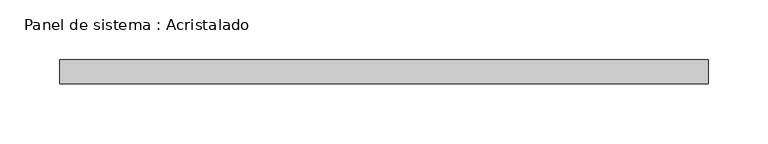
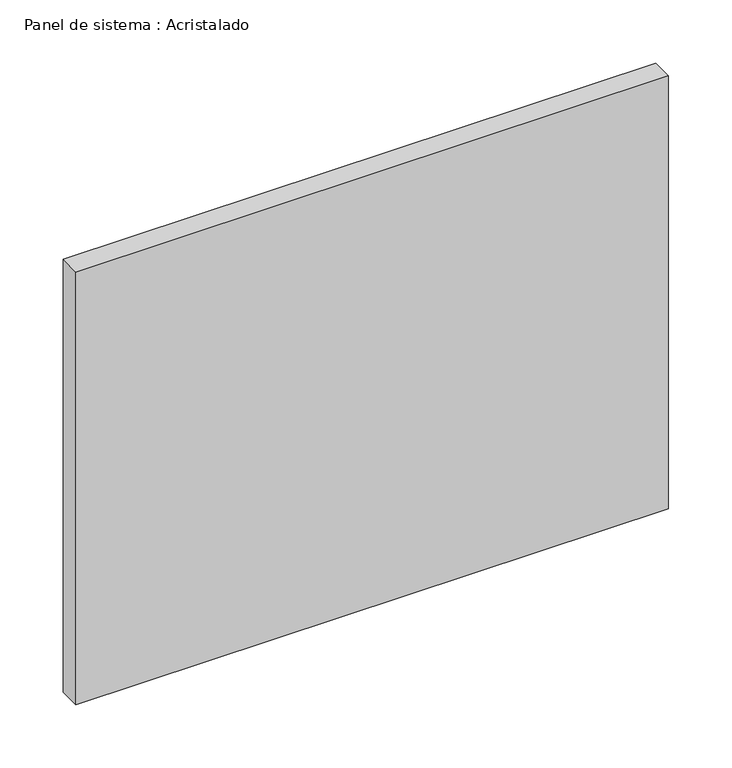
"""IFC4 building model written with IfcOpenShell, lengths in millimetres: plate geometry, Panel de sistema : Acristalado."""

from ifc_helpers import new_model, si_unit, origin, origin_with_axes, place, context, project, spatial, polyline, outline, extrude, source, transform, mapped, element, save


def panel_de_sistema_acristalado_14677f2b(model_context):
    return source(origin(), model_context, "Body", "SweptSolid", [
        extrude(outline(polyline([(270.5, -10.0), (-270.5, -10.0), (-270.5, 10.0), (270.5, 10.0), (270.5, -10.0)])), origin_with_axes(), (0.0, 0.0, 1.0), 417.7452144),
    ])


if __name__ == "__main__":
    model = new_model("IFC4")
    model_context = context("Model", 3, world=origin())
    ifc_project = project(units=[si_unit("LENGTHUNIT", "METRE", prefix="MILLI")], contexts=[model_context])
    site = spatial("IfcSite", under=ifc_project)
    building = spatial("IfcBuilding", under=site)
    placement = place(None, origin())
    panel_de_sistema_acristalado_shape = panel_de_sistema_acristalado_14677f2b(model_context)
    element("IfcPlate", 1, ObjectType="Panel de sistema : Acristalado", at=placement, inside=building, context=model_context, shape_type="MappedRepresentation", body=[
        mapped(panel_de_sistema_acristalado_shape, transform((0.0, 0.0, 0.0), x_axis=(1.0, 0.0, 0.0), y_axis=(0.0, 1.0, 0.0), z_axis=(0.0, 0.0, 1.0))),
    ])
    save(model, "model.ifc")
